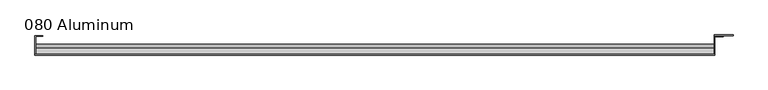
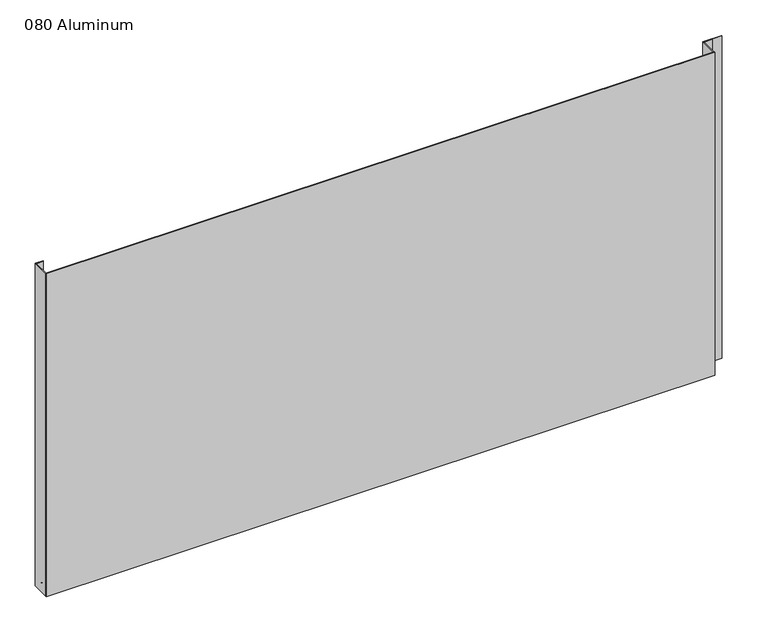
"""IFC4 building model written with IfcOpenShell, lengths in millimetres: plate geometry, 080 Aluminum."""

from ifc_helpers import new_model, si_unit, point, frame, frame_2d, origin, origin_with_axes, place, context, project, spatial, polyline, circle_curve, trimmed, segment, composite_curve, outline, extrude, source, transform, mapped, element, save


def plate_080_aluminum_ecd9fa61(model_context):
    return source(origin(), model_context, "Body", "SweptSolid", [
        extrude(outline(polyline([(-614.68, -2.5660257), (-614.68, -34.7980001), (-615.9499999, -34.7980001), (-615.9499999, -1.2699999), (-601.7894994, -1.2699999), (-601.7894994, -2.5660257), (-614.68, -2.5660257)])), origin_with_axes(), (0.0, 0.0, 1.0), 621.03),
        extrude(outline(composite_curve([segment(polyline([(-16.6765477, 13.1458337), (-16.6765477, 2.786437), (-17.9464915, 2.786437), (-17.9464915, 13.1323356)]), True, "CONTINUOUS"), segment(trimmed(circle_curve(frame_2d((-19.8514743, 13.124237)), 1.905), [point((-17.9464915, 13.1323356))], [point((-21.7564743, 13.124237))], True, "CARTESIAN"), True, "CONTINUOUS"), segment(polyline([(-21.7564743, 13.124237), (-21.7564743, 0.0), (-34.7980002, 0.0), (-34.7980002, 1.2693678), (-23.0264743, 1.2693678), (-23.0264743, 13.124237)]), True, "CONTINUOUS"), segment(trimmed(circle_curve(frame_2d((-19.8514743, 13.124237)), 3.175), [point((-23.0264743, 13.124237))], [point((-16.6765477, 13.1458337))], False, "CARTESIAN"), True, "CONTINUOUS")], self_intersect=False)), frame((-614.68, 0.0, 0.0), z_axis=(1.0, 0.0, 0.0), x_axis=(0.0, 1.0, 0.0)), (0.0, 0.0, 1.0), 1216.66),
        extrude(outline(polyline([(-615.95, -36.068), (-615.95, -34.7980001), (603.25, -34.7980001), (603.25, -36.068), (-615.95, -36.068)])), origin_with_axes(), (0.0, 0.0, 1.0), 622.3),
        extrude(outline(polyline([(603.25, -1.2699999), (603.25, -34.7980002), (601.9800001, -34.7980002), (601.9800001, 0.0), (635.7620856, 0.0), (635.7620856, -1.2699999), (603.25, -1.2699999)])), origin_with_axes(), (0.0, 0.0, 1.0), 621.03),
        extrude(outline(polyline([(601.98, -3.3274743), (601.98, -2.0574743), (617.7279999, -2.0574743), (617.7279999, -3.3274743), (601.98, -3.3274743)])), origin_with_axes(), (0.0, 0.0, 1.0), 622.3),
    ])


if __name__ == "__main__":
    model = new_model("IFC4")
    model_context = context("Model", 3, world=origin())
    ifc_project = project(units=[si_unit("LENGTHUNIT", "METRE", prefix="MILLI")], contexts=[model_context])
    site = spatial("IfcSite", under=ifc_project)
    building = spatial("IfcBuilding", under=site)
    placement = place(None, origin())
    plate_080_aluminum_shape = plate_080_aluminum_ecd9fa61(model_context)
    element("IfcPlate", 1, ObjectType="080 Aluminum", at=placement, inside=building, context=model_context, shape_type="MappedRepresentation", body=[
        mapped(plate_080_aluminum_shape, transform((0.0, 0.0, 0.0), x_axis=(1.0, 0.0, 0.0), y_axis=(0.0, 1.0, 0.0), z_axis=(0.0, 0.0, 1.0))),
    ])
    save(model, "model.ifc")
